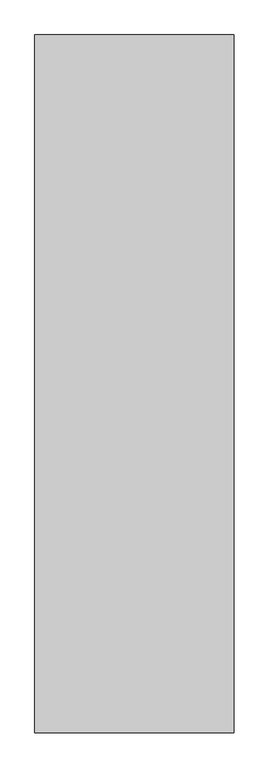
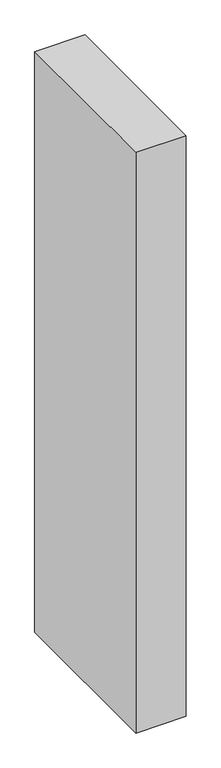
"""IFC4 building model written with IfcOpenShell, lengths in millimetres: proxy geometry."""

from ifc_helpers import new_model, si_unit, origin, origin_with_axes, place, context, project, spatial, polyline, outline, extrude, source, transform, mapped, element, save


def generic_models_9e2d06ee(model_context):
    return source(origin(), model_context, "Body", "SweptSolid", [
        extrude(outline(polyline([(400.0, -1400.0), (0.0, -1400.0), (0.0, 0.0), (400.0, 0.0), (400.0, -1400.0)])), origin_with_axes(), (0.0, 0.0, 1.0), 4900.0),
    ])


if __name__ == "__main__":
    model = new_model("IFC4")
    model_context = context("Model", 3, world=origin())
    ifc_project = project(units=[si_unit("LENGTHUNIT", "METRE", prefix="MILLI")], contexts=[model_context])
    site = spatial("IfcSite", under=ifc_project)
    building = spatial("IfcBuilding", under=site)
    placement = place(None, origin())
    generic_models_shape = generic_models_9e2d06ee(model_context)
    element("IfcBuildingElementProxy", 1, Name="Generic Models", at=placement, inside=building, context=model_context, shape_type="MappedRepresentation", body=[
        mapped(generic_models_shape, transform((0.0, 0.0, 0.0), x_axis=(1.0, 0.0, 0.0), y_axis=(0.0, 1.0, 0.0), z_axis=(0.0, 0.0, 1.0))),
    ])
    save(model, "model.ifc")
